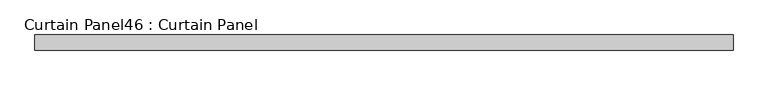
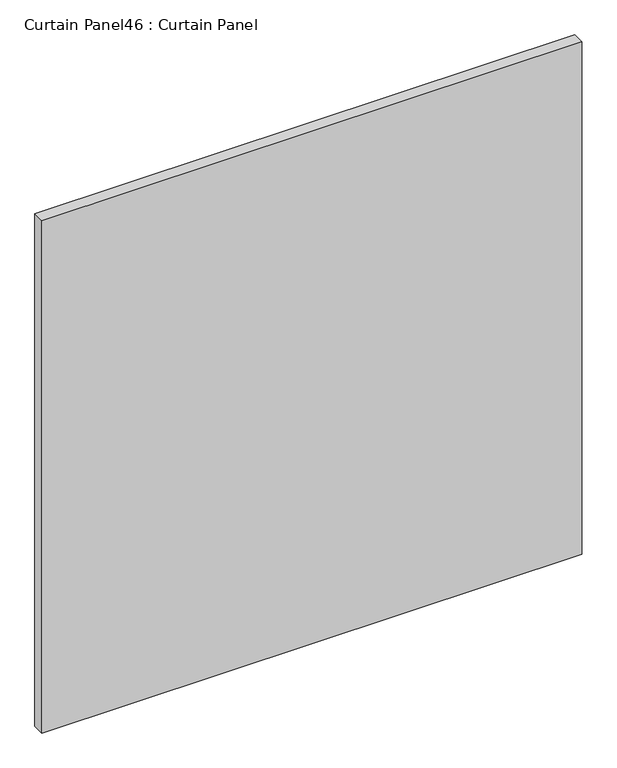
"""IFC4 building model written with IfcOpenShell, lengths in millimetres: plate geometry, Curtain Panel46 : Curtain Panel."""

from ifc_helpers import new_model, si_unit, frame, origin, place, context, project, spatial, polyline, outline, extrude, source, transform, mapped, element, save


def curtain_panel46_curtain_panel_621aed0e(model_context):
    return source(origin(), model_context, "Body", "SweptSolid", [
        extrude(outline(polyline([(-410185.9652248, 7226.1665558), (-411325.1946858, 7226.1665558), (-411325.1946858, 7251.5665558), (-410185.9652248, 7251.5665558), (-410185.9652248, 7226.1665558)])), frame((0.0, 0.0, 66.6751132), z_axis=(0.0, 0.0, 1.0), x_axis=(1.0, 0.0, 0.0)), (0.0, 0.0, 1.0), 1142.9997736),
    ])


if __name__ == "__main__":
    model = new_model("IFC4")
    model_context = context("Model", 3, world=origin())
    ifc_project = project(units=[si_unit("LENGTHUNIT", "METRE", prefix="MILLI")], contexts=[model_context])
    site = spatial("IfcSite", under=ifc_project)
    building = spatial("IfcBuilding", under=site)
    placement = place(None, origin())
    curtain_panel46_curtain_panel_shape = curtain_panel46_curtain_panel_621aed0e(model_context)
    element("IfcPlate", 1, ObjectType="Curtain Panel46 : Curtain Panel", at=placement, inside=building, context=model_context, shape_type="MappedRepresentation", body=[
        mapped(curtain_panel46_curtain_panel_shape, transform((0.0, 0.0, 0.0), x_axis=(1.0, 0.0, 0.0), y_axis=(0.0, 1.0, 0.0), z_axis=(0.0, 0.0, 1.0))),
    ])
    save(model, "model.ifc")
